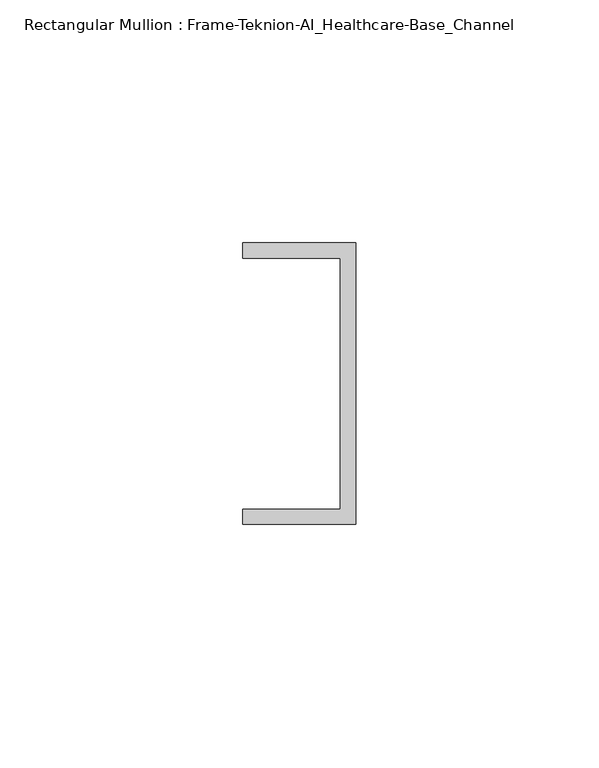
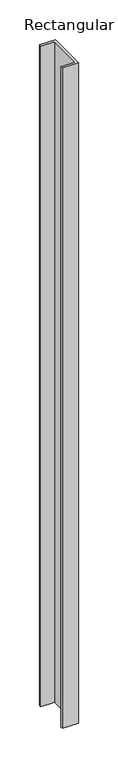
"""IFC4 building model written with IfcOpenShell, lengths in millimetres: member geometry, Rectangular Mullion : Frame-Teknion-AI_Healthcare-Base_Channel."""

from ifc_helpers import new_model, si_unit, frame, origin, place, context, project, spatial, polyline, outline, extrude, source, transform, mapped, element, save


def rectangular_mullion_frame_teknion_ai_healthcare_base_channel_d69a69f2(model_context):
    return source(origin(), model_context, "Body", "SweptSolid", [
        extrude(outline(polyline([(0.0, -29.0214844), (-23.3164063, -29.0214844), (-23.3164063, -25.8464844), (-3.175, -25.8464844), (-3.175, 25.8464844), (-23.3164063, 25.8464844), (-23.3164063, 29.0214844), (0.0, 29.0214844), (0.0, -29.0214844)])), frame((0.0, 0.0, -1016.0), z_axis=(0.0, 0.0, 1.0), x_axis=(1.0, 0.0, 0.0)), (0.0, 0.0, 1.0), 1016.0),
    ])


if __name__ == "__main__":
    model = new_model("IFC4")
    model_context = context("Model", 3, world=origin())
    ifc_project = project(units=[si_unit("LENGTHUNIT", "METRE", prefix="MILLI")], contexts=[model_context])
    site = spatial("IfcSite", under=ifc_project)
    building = spatial("IfcBuilding", under=site)
    placement = place(None, origin())
    rectangular_mullion_frame_teknion_ai_healthcare_base_channel_shape = rectangular_mullion_frame_teknion_ai_healthcare_base_channel_d69a69f2(model_context)
    element("IfcMember", 1, ObjectType="Rectangular Mullion : Frame-Teknion-AI_Healthcare-Base_Channel", at=placement, inside=building, context=model_context, shape_type="MappedRepresentation", body=[
        mapped(rectangular_mullion_frame_teknion_ai_healthcare_base_channel_shape, transform((0.0, 0.0, 0.0), x_axis=(1.0, 0.0, 0.0), y_axis=(0.0, 1.0, 0.0), z_axis=(0.0, 0.0, 1.0))),
    ])
    save(model, "model.ifc")
